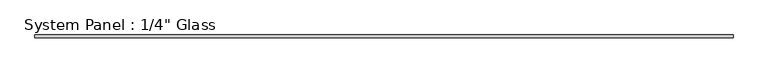
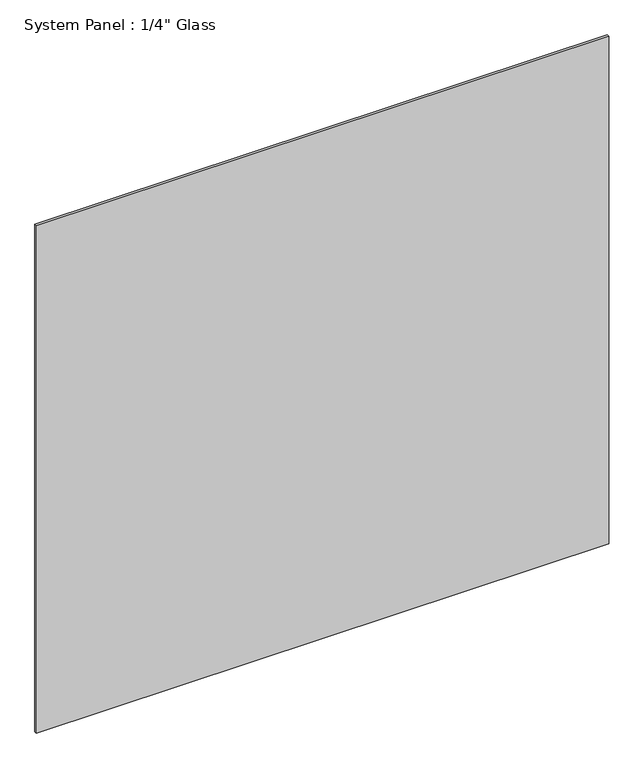
"""IFC4 building model written with IfcOpenShell, lengths in millimetres: plate geometry."""

from ifc_helpers import new_model, si_unit, origin, origin_with_axes, place, context, project, spatial, polyline, outline, extrude, source, transform, mapped, element, save


def plate_c030c4cf(model_context):
    return source(origin(), model_context, "Body", "SweptSolid", [
        extrude(outline(polyline([(746.1258852, -3.175), (-746.1258852, -3.175), (-746.1258852, 3.175), (746.1258852, 3.175), (746.1258852, -3.175)])), origin_with_axes(), (0.0, 0.0, 1.0), 1398.3841382),
    ])


if __name__ == "__main__":
    model = new_model("IFC4")
    model_context = context("Model", 3, world=origin())
    ifc_project = project(units=[si_unit("LENGTHUNIT", "METRE", prefix="MILLI")], contexts=[model_context])
    site = spatial("IfcSite", under=ifc_project)
    building = spatial("IfcBuilding", under=site)
    placement = place(None, origin())
    plate_shape = plate_c030c4cf(model_context)
    element("IfcPlate", 1, ObjectType="System Panel : 1/4\" Glass", at=placement, inside=building, context=model_context, shape_type="MappedRepresentation", body=[
        mapped(plate_shape, transform((0.0, 0.0, 0.0), x_axis=(1.0, 0.0, 0.0), y_axis=(0.0, 1.0, 0.0), z_axis=(0.0, 0.0, 1.0))),
    ])
    save(model, "model.ifc")
